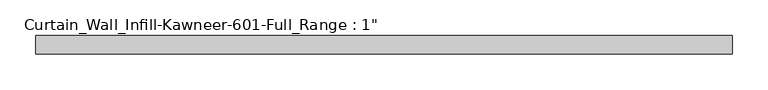
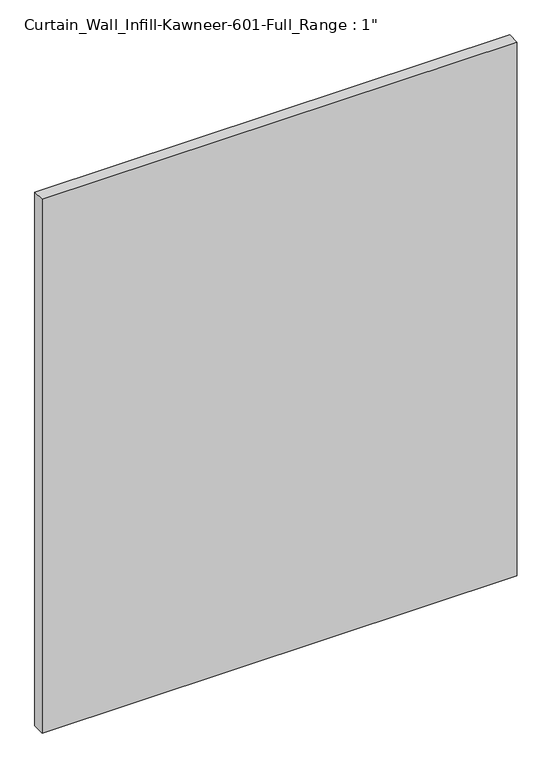
"""IFC4 building model written with IfcOpenShell, lengths in millimetres: plate geometry."""

from ifc_helpers import new_model, si_unit, origin, origin_with_axes, place, context, project, spatial, polyline, outline, extrude, source, transform, mapped, element, save


def plate_bd4b2fdb(model_context):
    return source(origin(), model_context, "Body", "SweptSolid", [
        extrude(outline(polyline([(-484.1875, 12.7), (484.1875, 12.7), (484.1875, -12.7), (-484.1875, -12.7), (-484.1875, 12.7)])), origin_with_axes(), (0.0, 0.0, 1.0), 1149.35),
    ])


if __name__ == "__main__":
    model = new_model("IFC4")
    model_context = context("Model", 3, world=origin())
    ifc_project = project(units=[si_unit("LENGTHUNIT", "METRE", prefix="MILLI")], contexts=[model_context])
    site = spatial("IfcSite", under=ifc_project)
    building = spatial("IfcBuilding", under=site)
    placement = place(None, origin())
    plate_shape = plate_bd4b2fdb(model_context)
    element("IfcPlate", 1, ObjectType="Curtain_Wall_Infill-Kawneer-601-Full_Range : 1\"", at=placement, inside=building, context=model_context, shape_type="MappedRepresentation", body=[
        mapped(plate_shape, transform((0.0, 0.0, 0.0), x_axis=(1.0, 0.0, 0.0), y_axis=(0.0, 1.0, 0.0), z_axis=(0.0, 0.0, 1.0))),
    ])
    save(model, "model.ifc")
